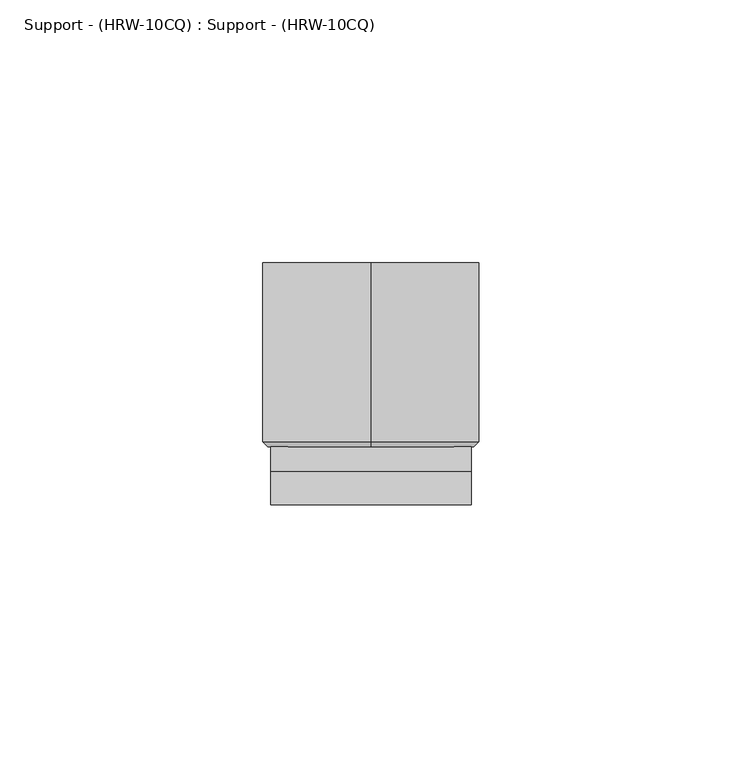
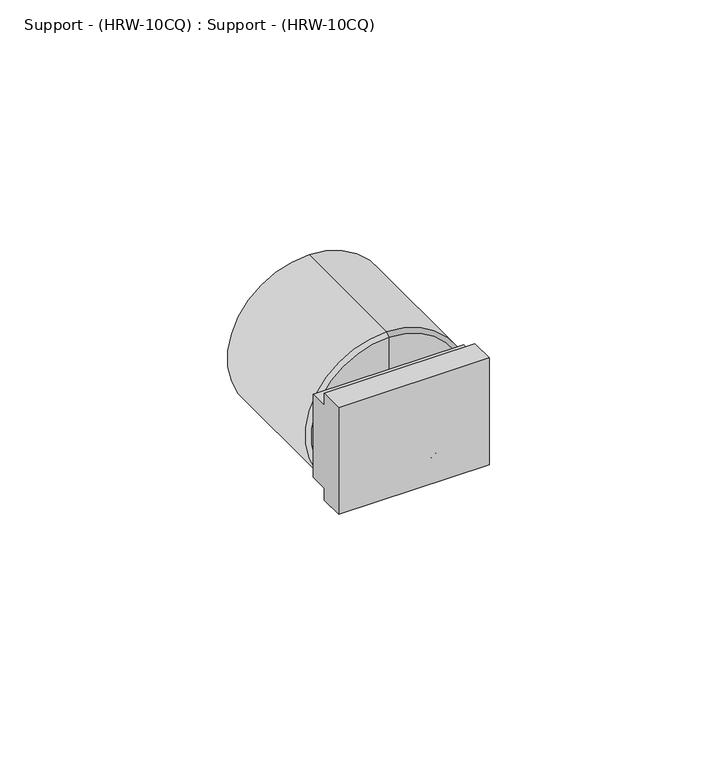
"""IFC4 building model written with IfcOpenShell, lengths in millimetres: proxy geometry, Support - (HRW-10CQ) : Support - (HRW-10CQ)."""

from ifc_helpers import new_model, si_unit, frame, origin, place, context, project, spatial, polyline, circle_curve, outline, extrude, source, transform, mapped, element, save
from ifc_brep_helpers import plane_surface, cylinder_surface, revolved_surface, advanced_brep


def support_hrw_10cq_support_hrw_10cq_7db57bc8(model_context):
    return source(origin(), model_context, "Body", "SolidModel", [
        extrude(outline(polyline([(5.9161172, -13.3856857), (12.2361811, -13.3856857), (12.2361811, -16.5606857), (17.0044745, -16.5606857), (17.0044745, -38.7856857), (12.2361811, -38.7856857), (12.2361811, -41.9606857), (5.9161172, -41.9606857), (5.9161172, -13.3856857)])), frame((-19.6503168, 0.0, 0.0), z_axis=(1.0, 0.0, 0.0), x_axis=(0.0, 1.0, 0.0)), (0.0, 0.0, 1.0), 38.1),
        advanced_brep(
        [(-0.6003168, 51.9294745, -48.3106857), (-0.6003168, 51.9294745, -7.0356857), (-0.6003168, 51.9294745, -27.6731857), (-0.6003168, 17.9517976, -48.3106857), (-0.6003168, 17.9517976, -7.0356857), (-0.6003168, 17.0044745, -47.3633626), (-0.6003168, 17.0044745, -7.9830088), (-0.6003168, 17.0044745, -27.6731857)],
        [
            (0, 1, circle_curve(frame((-0.6003168, 51.9294745, -27.6731857), z_axis=(0.0, 1.0, 0.0), x_axis=(0.0, 0.0, 1.0)), 20.6375)),
            (1, 2),
            (2, 0),
            (1, 0, circle_curve(frame((-0.6003168, 51.9294745, -27.6731857), z_axis=(0.0, 1.0, 0.0), x_axis=(0.0, 0.0, 1.0)), 20.6375)),
            (3, 4, circle_curve(frame((-0.6003168, 17.9517976, -27.6731857), z_axis=(0.0, 1.0, 0.0), x_axis=(0.0, 0.0, 1.0)), 20.6375)),
            (4, 1),
            (0, 3),
            (4, 3, circle_curve(frame((-0.6003168, 17.9517976, -27.6731857), z_axis=(0.0, 1.0, 0.0), x_axis=(0.0, 0.0, 1.0)), 20.6375)),
            (5, 6, circle_curve(frame((-0.6003168, 17.0044745, -27.6731857), z_axis=(0.0, 1.0, 0.0), x_axis=(0.0, 0.0, 1.0)), 19.6901769)),
            (6, 4),
            (3, 5),
            (6, 5, circle_curve(frame((-0.6003168, 17.0044745, -27.6731857), z_axis=(0.0, 1.0, 0.0), x_axis=(0.0, 0.0, 1.0)), 19.6901769)),
            (7, 6),
            (5, 7),
        ],
        [
            plane_surface(frame((-0.6003168, 51.9294745, -27.6731857), z_axis=(0.0, 1.0, 0.0), x_axis=(0.0, 0.0, 1.0))),
            cylinder_surface(frame((-0.6003168, 10.6544745, -27.6731857), z_axis=(0.0, -1.0, 0.0), x_axis=(0.0, 0.0, 1.0)), 20.6375),
            revolved_surface(polyline([(-0.6003168, 17.9517976, -7.0356857), (-0.6003168, 17.0044745, -7.9830088)]), (-0.6003168, 10.6544745, -27.6731857), (0.0, -1.0, 0.0)),
            plane_surface(frame((-0.6003168, 17.0044745, -27.6731857), z_axis=(0.0, -1.0, 0.0), x_axis=(0.0, 0.0, 1.0))),
        ],
        [
            (0, [[1, 2, 3]]),
            (0, [[4, -3, -2]]),
            (1, [[5, 6, -1, 7]]),
            (1, [[8, -7, -4, -6]]),
            (2, [[9, 10, -5, 11]]),
            (2, [[12, -11, -8, -10]]),
            (3, [[13, -9, 14]]),
            (3, [[-14, -12, -13]]),
        ],
    ),
    ])


if __name__ == "__main__":
    model = new_model("IFC4")
    model_context = context("Model", 3, world=origin())
    ifc_project = project(units=[si_unit("LENGTHUNIT", "METRE", prefix="MILLI")], contexts=[model_context])
    site = spatial("IfcSite", under=ifc_project)
    building = spatial("IfcBuilding", under=site)
    placement = place(None, origin())
    support_hrw_10cq_support_hrw_10cq_shape = support_hrw_10cq_support_hrw_10cq_7db57bc8(model_context)
    element("IfcBuildingElementProxy", 1, Name="Support - (HRW-10CQ) : Support - (HRW-10CQ)", ObjectType="Support - (HRW-10CQ) : Support - (HRW-10CQ)", at=placement, inside=building, context=model_context, shape_type="MappedRepresentation", body=[
        mapped(support_hrw_10cq_support_hrw_10cq_shape, transform((0.0, 0.0, 0.0), x_axis=(1.0, 0.0, 0.0), y_axis=(0.0, 1.0, 0.0), z_axis=(0.0, 0.0, 1.0))),
    ])
    save(model, "model.ifc")
